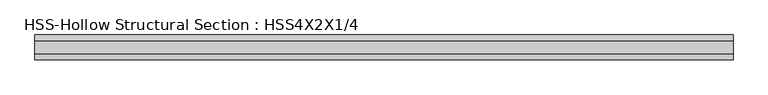
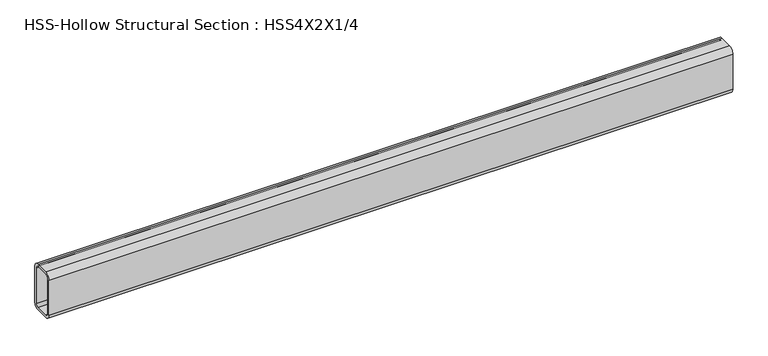
"""IFC4 building model written with IfcOpenShell, lengths in millimetres: beam geometry, HSS-Hollow Structural Section : HSS4X2X1/4."""

from ifc_helpers import new_model, si_unit, point, frame, frame_2d, origin, place, context, project, spatial, polyline, circle_curve, trimmed, segment, composite_curve, outline, extrude, source, transform, mapped, element, save


def hss_hollow_structural_section_hss4x2x1_4_b2deabb4(model_context):
    return source(origin(), model_context, "Body", "SweptSolid", [
        extrude(outline(composite_curve([segment(polyline([(25.4, 38.9636), (25.4, -38.9636)]), True, "CONTINUOUS"), segment(trimmed(circle_curve(frame_2d((13.5636, -38.9636)), 11.8364), [point((25.4, -38.9636))], [point((13.5636, -50.8))], False, "CARTESIAN"), True, "CONTINUOUS"), segment(polyline([(13.5636, -50.8), (-13.5636, -50.8)]), True, "CONTINUOUS"), segment(trimmed(circle_curve(frame_2d((-13.5636, -38.9636)), 11.8364), [point((-13.5636, -50.8))], [point((-25.4, -38.9636))], False, "CARTESIAN"), True, "CONTINUOUS"), segment(polyline([(-25.4, -38.9636), (-25.4, 38.9636)]), True, "CONTINUOUS"), segment(trimmed(circle_curve(frame_2d((-13.5636, 38.9636)), 11.8364), [point((-25.4, 38.9636))], [point((-13.5636, 50.8))], False, "CARTESIAN"), True, "CONTINUOUS"), segment(polyline([(-13.5636, 50.8), (13.5636, 50.8)]), True, "CONTINUOUS"), segment(trimmed(circle_curve(frame_2d((13.5636, 38.9636)), 11.8364), [point((13.5636, 50.8))], [point((25.4, 38.9636))], False, "CARTESIAN"), True, "CONTINUOUS")], self_intersect=False), holes=[composite_curve([segment(trimmed(circle_curve(frame_2d((-13.5636, 38.9636)), 5.9182), [point((-13.5636, 44.8818))], [point((-19.4818, 38.9636))], True, "CARTESIAN"), True, "CONTINUOUS"), segment(polyline([(-19.4818, 38.9636), (-19.4818, -38.9636)]), True, "CONTINUOUS"), segment(trimmed(circle_curve(frame_2d((-13.5636, -38.9636)), 5.9182), [point((-19.4818, -38.9636))], [point((-13.5636, -44.8818))], True, "CARTESIAN"), True, "CONTINUOUS"), segment(polyline([(-13.5636, -44.8818), (13.5636, -44.8818)]), True, "CONTINUOUS"), segment(trimmed(circle_curve(frame_2d((13.5636, -38.9636)), 5.9182), [point((13.5636, -44.8818))], [point((19.4818, -38.9636))], True, "CARTESIAN"), True, "CONTINUOUS"), segment(polyline([(19.4818, -38.9636), (19.4818, 38.9636)]), True, "CONTINUOUS"), segment(trimmed(circle_curve(frame_2d((13.5636, 38.9636)), 5.9182), [point((19.4818, 38.9636))], [point((13.5636, 44.8818))], True, "CARTESIAN"), True, "CONTINUOUS"), segment(polyline([(13.5636, 44.8818), (-13.5636, 44.8818)]), True, "CONTINUOUS")], self_intersect=False)]), frame((-750.443, 0.0, 0.0), z_axis=(1.0, 0.0, 0.0), x_axis=(0.0, 1.0, 0.0)), (0.0, 0.0, 1.0), 1437.386),
    ])


if __name__ == "__main__":
    model = new_model("IFC4")
    model_context = context("Model", 3, world=origin())
    ifc_project = project(units=[si_unit("LENGTHUNIT", "METRE", prefix="MILLI")], contexts=[model_context])
    site = spatial("IfcSite", under=ifc_project)
    building = spatial("IfcBuilding", under=site)
    placement = place(None, origin())
    hss_hollow_structural_section_hss4x2x1_4_shape = hss_hollow_structural_section_hss4x2x1_4_b2deabb4(model_context)
    element("IfcBeam", 1, ObjectType="HSS-Hollow Structural Section : HSS4X2X1/4", at=placement, inside=building, context=model_context, shape_type="MappedRepresentation", body=[
        mapped(hss_hollow_structural_section_hss4x2x1_4_shape, transform((0.0, 0.0, 0.0), x_axis=(1.0, 0.0, 0.0), y_axis=(0.0, 1.0, 0.0), z_axis=(0.0, 0.0, 1.0))),
    ])
    save(model, "model.ifc")
